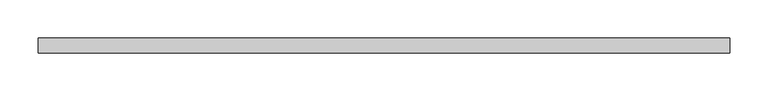
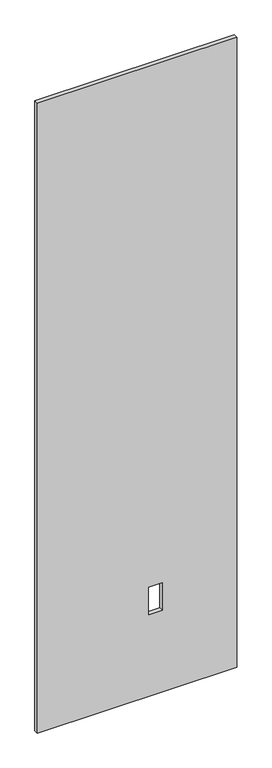
"""IFC4 building model written with IfcOpenShell, lengths in millimetres: proxy geometry."""

from ifc_helpers import new_model, si_unit, frame, origin, place, context, project, spatial, polyline, outline, extrude, source, transform, mapped, element, save


def specialty_equipment_e9c5e822(model_context):
    return source(origin(), model_context, "Body", "SweptSolid", [
        extrude(outline(polyline([(2999.5368001, -448.9704), (3.175, -448.9704), (3.175, 448.9704), (2999.5368001, 448.9704), (2999.5368001, -448.9704)]), holes=[polyline([(391.922, 112.8268), (391.922, 51.3588), (522.478, 51.3588), (522.478, 112.8268), (391.922, 112.8268)])]), frame((0.0, -9.525, 0.0), z_axis=(0.0, 1.0, 0.0), x_axis=(0.0, 0.0, 1.0)), (0.0, 0.0, 1.0), 19.05),
    ])


if __name__ == "__main__":
    model = new_model("IFC4")
    model_context = context("Model", 3, world=origin())
    ifc_project = project(units=[si_unit("LENGTHUNIT", "METRE", prefix="MILLI")], contexts=[model_context])
    site = spatial("IfcSite", under=ifc_project)
    building = spatial("IfcBuilding", under=site)
    placement = place(None, origin())
    specialty_equipment_shape = specialty_equipment_e9c5e822(model_context)
    element("IfcBuildingElementProxy", 1, Name="Specialty Equipment", at=placement, inside=building, context=model_context, shape_type="MappedRepresentation", body=[
        mapped(specialty_equipment_shape, transform((0.0, 0.0, 0.0), x_axis=(1.0, 0.0, 0.0), y_axis=(0.0, 1.0, 0.0), z_axis=(0.0, 0.0, 1.0))),
    ])
    save(model, "model.ifc")
